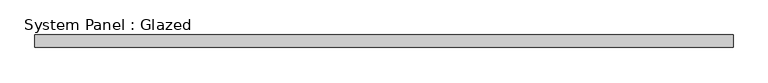
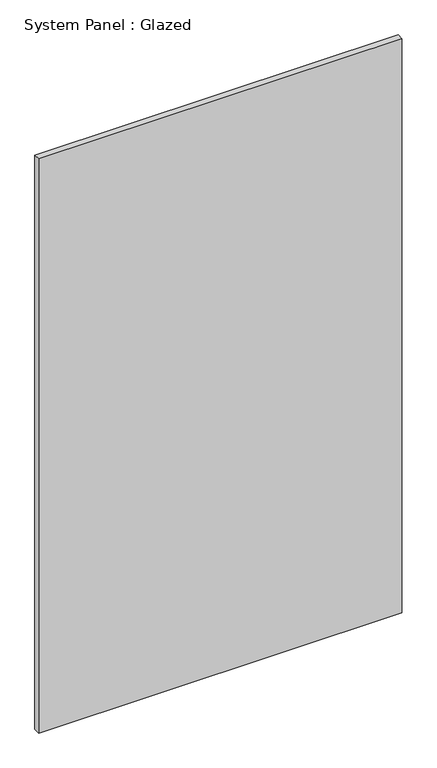
"""IFC4 building model written with IfcOpenShell, lengths in millimetres: plate geometry, System Panel : Glazed."""

from ifc_helpers import new_model, si_unit, origin, origin_with_axes, place, context, project, spatial, polyline, outline, extrude, source, transform, mapped, element, save


def system_panel_glazed_8e95e325(model_context):
    return source(origin(), model_context, "Body", "SweptSolid", [
        extrude(outline(polyline([(695.8333333, 24.5), (-695.8333333, 24.5), (-695.8333333, 49.5), (695.8333333, 49.5), (695.8333333, 24.5)])), origin_with_axes(), (0.0, 0.0, 1.0), 2325.0),
    ])


if __name__ == "__main__":
    model = new_model("IFC4")
    model_context = context("Model", 3, world=origin())
    ifc_project = project(units=[si_unit("LENGTHUNIT", "METRE", prefix="MILLI")], contexts=[model_context])
    site = spatial("IfcSite", under=ifc_project)
    building = spatial("IfcBuilding", under=site)
    placement = place(None, origin())
    system_panel_glazed_shape = system_panel_glazed_8e95e325(model_context)
    element("IfcPlate", 1, ObjectType="System Panel : Glazed", at=placement, inside=building, context=model_context, shape_type="MappedRepresentation", body=[
        mapped(system_panel_glazed_shape, transform((0.0, 0.0, 0.0), x_axis=(1.0, 0.0, 0.0), y_axis=(0.0, 1.0, 0.0), z_axis=(0.0, 0.0, 1.0))),
    ])
    save(model, "model.ifc")
